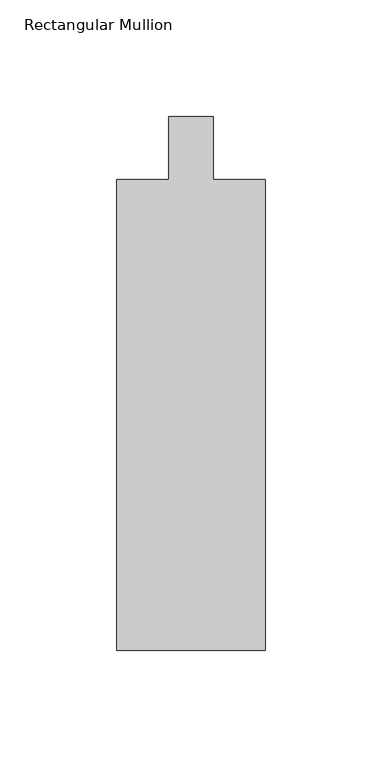
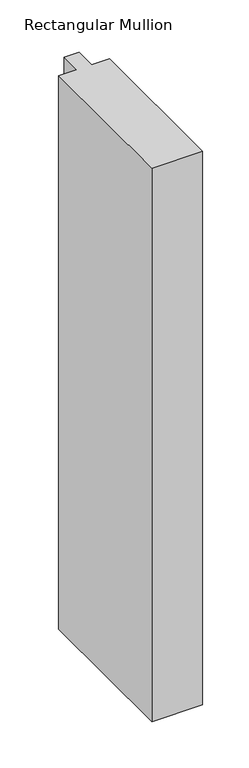
"""IFC4 building model written with IfcOpenShell, lengths in millimetres: member geometry, Rectangular Mullion."""

from ifc_helpers import new_model, si_unit, frame, origin, place, context, project, spatial, polyline, outline, extrude, source, transform, mapped, element, save


def rectangular_mullion_34b15848(model_context):
    return source(origin(), model_context, "Body", "SweptSolid", [
        extrude(outline(polyline([(-63.5, -228.6), (-63.5, -26.9875), (-41.275, -26.9875), (-41.275, 0.0), (-22.225, 0.0), (-22.225, -26.9875), (0.0, -26.9875), (0.0, -228.6), (-63.5, -228.6)])), frame((0.0, 0.0, -730.25), z_axis=(0.0, 0.0, 1.0), x_axis=(1.0, 0.0, 0.0)), (0.0, 0.0, 1.0), 730.25),
    ])


if __name__ == "__main__":
    model = new_model("IFC4")
    model_context = context("Model", 3, world=origin())
    ifc_project = project(units=[si_unit("LENGTHUNIT", "METRE", prefix="MILLI")], contexts=[model_context])
    site = spatial("IfcSite", under=ifc_project)
    building = spatial("IfcBuilding", under=site)
    placement = place(None, origin())
    rectangular_mullion_shape = rectangular_mullion_34b15848(model_context)
    element("IfcMember", 1, ObjectType="Rectangular Mullion", at=placement, inside=building, context=model_context, shape_type="MappedRepresentation", body=[
        mapped(rectangular_mullion_shape, transform((0.0, 0.0, 0.0), x_axis=(1.0, 0.0, 0.0), y_axis=(0.0, 1.0, 0.0), z_axis=(0.0, 0.0, 1.0))),
    ])
    save(model, "model.ifc")
